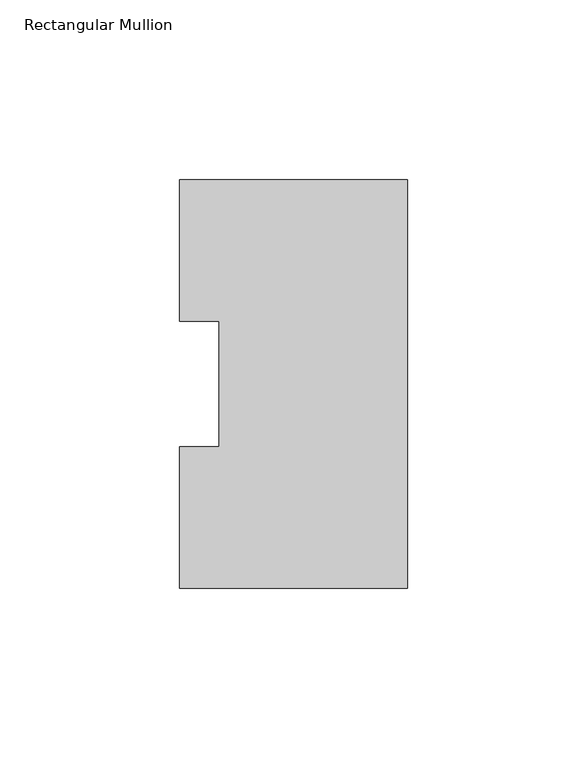
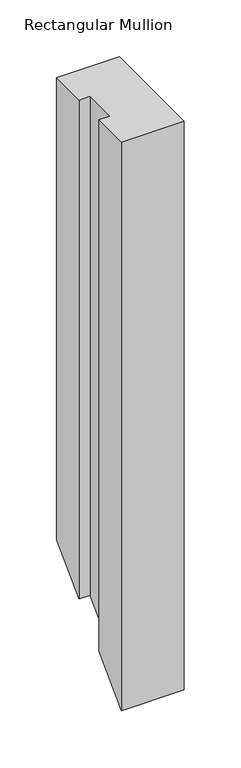
"""IFC4 building model written with IfcOpenShell, lengths in millimetres: member geometry, Rectangular Mullion."""

from ifc_helpers import new_model, si_unit, origin, place, context, project, spatial, faceted_brep, source, transform, mapped, element, save


def rectangular_mullion_fb33c076(model_context):
    return source(origin(), model_context, "Body", "Brep", [
        faceted_brep([(0.0, 114.017425, 0.0), (-63.5, 114.017425, 0.0), (-63.5, 74.596625, 0.0), (-52.3875, 74.596625, 0.0), (-52.3875, 39.646225, 0.0), (-63.5, 39.646225, 0.0), (-63.5, 0.225425, 0.0), (0.0, 0.225425, 0.0), (0.0, 114.017425, -495.582575), (-63.5, 114.017425, -495.582575), (-63.5, 74.596625, -535.003375), (-52.3875, 74.596625, -535.003375), (-52.3875, 39.646225, -569.953775), (-63.5, 39.646225, -569.953775), (-63.5, 0.225425, -609.374575), (0.0, 0.225425, -609.374575)], [[[0, 1, 2, 3, 4, 5, 6, 7]], [[1, 0, 8, 9]], [[2, 1, 9, 10]], [[3, 2, 10, 11]], [[4, 3, 11, 12]], [[5, 4, 12, 13]], [[6, 5, 13, 14]], [[7, 6, 14, 15]], [[0, 7, 15, 8]], [[8, 15, 14, 13, 12, 11, 10, 9]]]),
    ])


if __name__ == "__main__":
    model = new_model("IFC4")
    model_context = context("Model", 3, world=origin())
    ifc_project = project(units=[si_unit("LENGTHUNIT", "METRE", prefix="MILLI")], contexts=[model_context])
    site = spatial("IfcSite", under=ifc_project)
    building = spatial("IfcBuilding", under=site)
    placement = place(None, origin())
    rectangular_mullion_shape = rectangular_mullion_fb33c076(model_context)
    element("IfcMember", 1, ObjectType="Rectangular Mullion", at=placement, inside=building, context=model_context, shape_type="MappedRepresentation", body=[
        mapped(rectangular_mullion_shape, transform((0.0, 0.0, 0.0), x_axis=(1.0, 0.0, 0.0), y_axis=(0.0, 1.0, 0.0), z_axis=(0.0, 0.0, 1.0))),
    ])
    save(model, "model.ifc")
